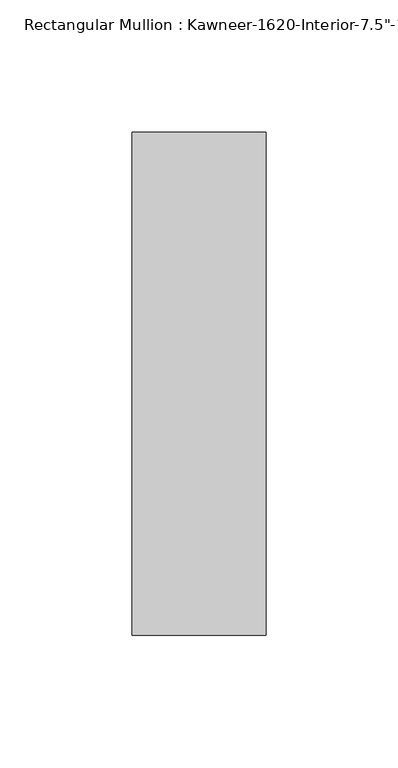
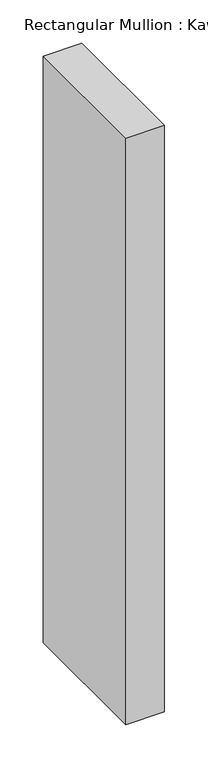
"""IFC4 building model written with IfcOpenShell, lengths in millimetres: member geometry."""

import ifcopenshell
import ifcopenshell.guid

model = None  # the IFC model being written
_history = None  # IfcOwnerHistory: only IFC2X3 demands one
_inside = {}  # id of a spatial element -> (the spatial element, [elements in it])
_under = {}  # id of a project, library or spatial element -> (it, [spatial elements below it])
_declared = {}  # id of a project -> (the project, [libraries it declares])
_typed = {}  # id of a type object -> (the type object, [elements of that type])
_made_of = {}  # id of a material, layer set ... -> (it, [elements and type objects made of it])


def new_model(schema):
    """Start an empty IFC model of exactly this schema.

    Asked for "IFC4X3", IfcOpenShell would pick the latest addendum, in which some entities
    have other attributes; the version numbers below select the first issue.
    IFC2X3 requires an IfcOwnerHistory on every rooted entity: one is made here for all.
    """
    global model, _history
    if schema == "IFC4X3":
        model = ifcopenshell.file(schema_version=(4, 3, 0, 0))
    else:
        model = ifcopenshell.file(schema=schema)
    _inside.clear()
    _under.clear()
    _declared.clear()
    _typed.clear()
    _made_of.clear()
    _history = None
    if model.schema == "IFC2X3":
        org = make("IfcOrganization", Name="unknown")
        user = make(
            "IfcPersonAndOrganization",
            ThePerson=make("IfcPerson", FamilyName="unknown"),
            TheOrganization=org,
        )
        app = make(
            "IfcApplication",
            ApplicationDeveloper=org,
            Version="unknown",
            ApplicationFullName="unknown",
            ApplicationIdentifier="unknown",
        )
        _history = make(
            "IfcOwnerHistory",
            OwningUser=user,
            OwningApplication=app,
            ChangeAction="ADDED",
            CreationDate=0,
        )
    return model


def make(cls, **values):
    """One entity of the class cls with the attributes given. An attribute that is None is left unset."""
    return model.create_entity(
        cls, **{name: value for name, value in values.items() if value is not None}
    )


def rooted(cls, **values):
    """An entity with a GlobalId (a new one), such as an element, a storey or a relation."""
    return make(cls, GlobalId=ifcopenshell.guid.new(), OwnerHistory=_history, **values)


def si_unit(unit_type, name, prefix=None):
    """IfcSIUnit, for example si_unit("LENGTHUNIT", "METRE", prefix="MILLI")."""
    return make("IfcSIUnit", UnitType=unit_type, Prefix=prefix, Name=name)


def assignment(units):
    """IfcUnitAssignment: the units of a project."""
    return None if units is None else make("IfcUnitAssignment", Units=units)


def point(xyz):
    """IfcCartesianPoint."""
    return None if xyz is None else make("IfcCartesianPoint", Coordinates=xyz)


def direction(xyz):
    """IfcDirection."""
    return None if xyz is None else make("IfcDirection", DirectionRatios=xyz)


def frame(location, z_axis=None, x_axis=None):
    """IfcAxis2Placement3D, a coordinate frame: its origin and axes. An axis left out is left unset."""
    return make(
        "IfcAxis2Placement3D",
        Location=point(location),
        Axis=direction(z_axis),
        RefDirection=direction(x_axis),
    )


def origin():
    """The frame at (0, 0, 0) with its axes left unset."""
    return frame((0.0, 0.0, 0.0))


def place(relative_to, where):
    """IfcLocalPlacement: puts the frame where relative to a parent placement (None: the world)."""
    return make(
        "IfcLocalPlacement", PlacementRelTo=relative_to, RelativePlacement=where
    )


def context(
    kind, dimensions, precision=None, world=None, true_north=None, identifier=None
):
    """IfcGeometricRepresentationContext, for example the 3D "Model" context."""
    return make(
        "IfcGeometricRepresentationContext",
        ContextIdentifier=identifier,
        ContextType=kind,
        CoordinateSpaceDimension=dimensions,
        Precision=precision,
        WorldCoordinateSystem=world,
        TrueNorth=true_north,
    )


def project(units=None, contexts=None):
    """IfcProject with its units and contexts."""
    return rooted(
        "IfcProject",
        Name="project",
        RepresentationContexts=contexts,
        UnitsInContext=assignment(units),
    )


def spatial(cls, under=None, at=None, **own):
    """A site, building, storey or space (cls), placed at a placement, below another one or the project."""
    s = rooted(cls, ObjectPlacement=at, **own)
    if under is not None:
        _under.setdefault(under.id(), (under, []))[1].append(s)
    return s


def polyline(points):
    """IfcPolyline through the points."""
    return make("IfcPolyline", Points=[point(p) for p in points])


def outline(outer, holes=None, kind="AREA"):
    """IfcArbitraryClosedProfileDef: a profile drawn as a closed curve; with holes, ...WithVoids."""
    if holes is None:
        return make("IfcArbitraryClosedProfileDef", ProfileType=kind, OuterCurve=outer)
    return make(
        "IfcArbitraryProfileDefWithVoids",
        ProfileType=kind,
        OuterCurve=outer,
        InnerCurves=holes,
    )


def extrude(swept, where, along, depth):
    """IfcExtrudedAreaSolid: the profile swept, set in the frame where, extruded along a direction by depth."""
    return make(
        "IfcExtrudedAreaSolid",
        SweptArea=swept,
        Position=where,
        ExtrudedDirection=direction(along),
        Depth=depth,
    )


def shape(context_of_items, identifier, shape_type, items):
    """IfcShapeRepresentation: the items that make up one representation, for example the "Body"."""
    return make(
        "IfcShapeRepresentation",
        ContextOfItems=context_of_items,
        RepresentationIdentifier=identifier,
        RepresentationType=shape_type,
        Items=items,
    )


def source(mapping_origin, context_of_items, identifier, shape_type, items):
    """IfcRepresentationMap: a shape defined once, which mapped items show again and again."""
    return make(
        "IfcRepresentationMap",
        MappingOrigin=mapping_origin,
        MappedRepresentation=shape(context_of_items, identifier, shape_type, items),
    )


def transform(
    local_origin,
    x_axis=None,
    y_axis=None,
    z_axis=None,
    scale=None,
    scale2=None,
    scale3=None,
    uniform=True,
):
    """IfcCartesianTransformationOperator3D, or its non-uniform kind. x_axis, y_axis, z_axis: its Axis1, 2, 3."""
    if uniform:
        return make(
            "IfcCartesianTransformationOperator3D",
            Axis1=direction(x_axis),
            Axis2=direction(y_axis),
            LocalOrigin=point(local_origin),
            Scale=scale,
            Axis3=direction(z_axis),
        )
    return make(
        "IfcCartesianTransformationOperator3DnonUniform",
        Axis1=direction(x_axis),
        Axis2=direction(y_axis),
        LocalOrigin=point(local_origin),
        Scale=scale,
        Axis3=direction(z_axis),
        Scale2=scale2,
        Scale3=scale3,
    )


def mapped(mapping_source, mapping_target):
    """IfcMappedItem: shows the shape of a source again, moved by a transform."""
    return make(
        "IfcMappedItem", MappingSource=mapping_source, MappingTarget=mapping_target
    )


def made_of(thing, what):
    """Note that an element or type object is made of a material, layer set ...; save() writes the relation."""
    if what is not None:
        _made_of.setdefault(what.id(), (what, []))[1].append(thing)
    return thing


def element(
    cls,
    number,
    at=None,
    inside=None,
    cuts=None,
    type_object=None,
    material=None,
    context=None,
    identifier="Body",
    shape_type=None,
    held_by="IfcProductDefinitionShape",
    body=None,
    shapes=None,
    **own,
):
    """One element of the class cls, such as IfcWall. Its Tag is "e" and its number.

    at: its placement. inside: the storey or other place that contains it. cuts: it is an
    opening in that element (IfcRelVoidsElement). A single representation is given by context,
    identifier, shape_type and body (its items); several are given by shapes. held_by: the class
    of the entity that holds the representations. save() writes the other relations.
    """
    e = rooted(cls, Tag="e%d" % number, ObjectPlacement=at, **own)
    if body is not None:
        shapes = [shape(context, identifier, shape_type, body)]
    if shapes is not None:
        e.Representation = make(held_by, Representations=shapes)
    if inside is not None:
        _inside.setdefault(inside.id(), (inside, []))[1].append(e)
    if cuts is not None:
        rooted(
            "IfcRelVoidsElement", RelatingBuildingElement=cuts, RelatedOpeningElement=e
        )
    if type_object is not None:
        _typed.setdefault(type_object.id(), (type_object, []))[1].append(e)
    return made_of(e, material)


def aggregate(whole, parts):
    """IfcRelAggregates: a whole, such as a stair, and the parts it consists of."""
    return rooted("IfcRelAggregates", RelatingObject=whole, RelatedObjects=parts)


def save(model, path):
    """Write the relations noted so far, then the file.

    IfcRelAggregates (storeys below a building ...), IfcRelContainedInSpatialStructure (elements
    in a storey), IfcRelDefinesByType, IfcRelAssociatesMaterial and IfcRelDeclares: one each for
    every whole, place, type object, material and project.
    """
    for whole, parts in _under.values():
        aggregate(whole, parts)
    for where, things in _inside.values():
        rooted(
            "IfcRelContainedInSpatialStructure",
            RelatedElements=things,
            RelatingStructure=where,
        )
    for kind, things in _typed.values():
        rooted("IfcRelDefinesByType", RelatedObjects=things, RelatingType=kind)
    for what, things in _made_of.values():
        rooted("IfcRelAssociatesMaterial", RelatedObjects=things, RelatingMaterial=what)
    for by, libraries in _declared.values():
        rooted("IfcRelDeclares", RelatingContext=by, RelatedDefinitions=libraries)
    model.write(path)


def member_4e9ef8e7(model_context):
    return source(origin(), model_context, "Body", "SweptSolid", [
        extrude(outline(polyline([(25.4, -152.4), (-25.4, -152.4), (-25.4, 38.1), (25.4, 38.1), (25.4, -152.4)])), frame((0.0, 0.0, -825.5), z_axis=(0.0, 0.0, 1.0), x_axis=(1.0, 0.0, 0.0)), (0.0, 0.0, 1.0), 825.5),
    ])


if __name__ == "__main__":
    model = new_model("IFC4")
    model_context = context("Model", 3, world=origin())
    ifc_project = project(units=[si_unit("LENGTHUNIT", "METRE", prefix="MILLI")], contexts=[model_context])
    site = spatial("IfcSite", under=ifc_project)
    building = spatial("IfcBuilding", under=site)
    placement = place(None, origin())
    member_shape = member_4e9ef8e7(model_context)
    element("IfcMember", 1, ObjectType="Rectangular Mullion : Kawneer-1620-Interior-7.5\"-1\"Infill", at=placement, inside=building, context=model_context, shape_type="MappedRepresentation", body=[
        mapped(member_shape, transform((0.0, 0.0, 0.0), x_axis=(1.0, 0.0, 0.0), y_axis=(0.0, 1.0, 0.0), z_axis=(0.0, 0.0, 1.0))),
    ])
    save(model, "model.ifc")
